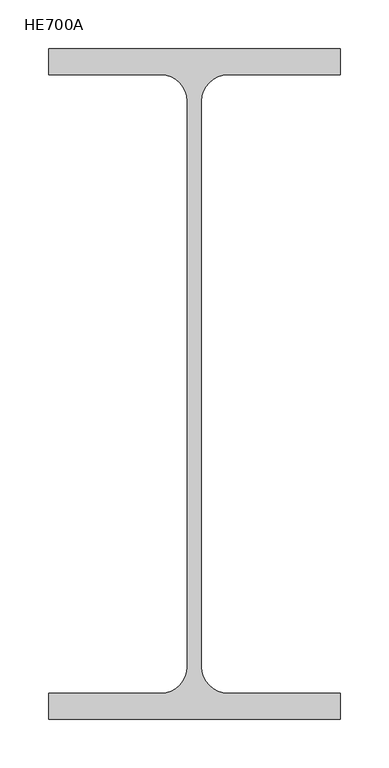
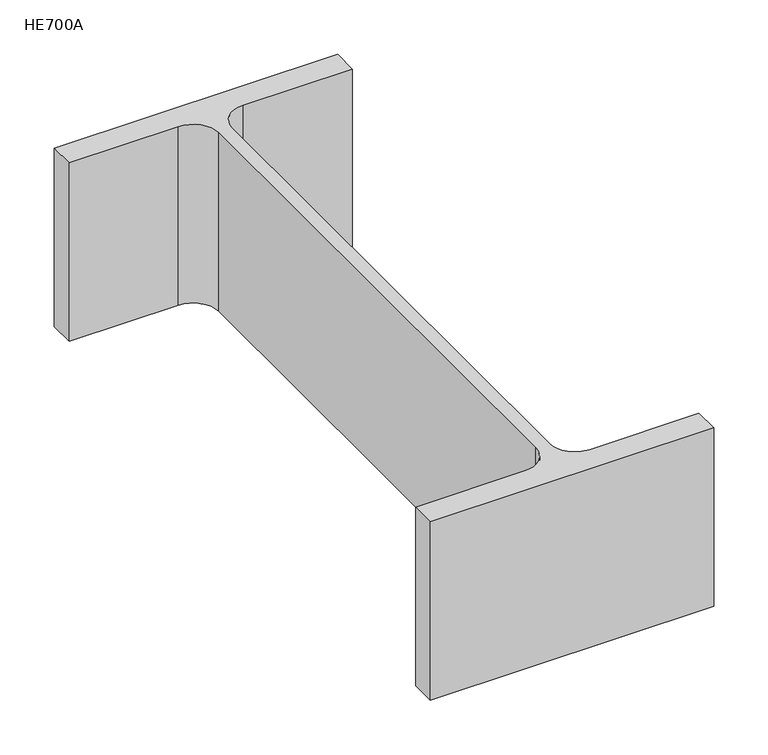
"""IFC4 building model written with IfcOpenShell, lengths in millimetres: column geometry, HE700A."""

from ifc_helpers import new_model, si_unit, point, frame, frame_2d, origin, place, context, project, spatial, polyline, circle_curve, trimmed, segment, composite_curve, outline, extrude, source, transform, mapped, element, save


def he700a_8610ff4f(model_context):
    return source(origin(), model_context, "Body", "SweptSolid", [
        extrude(outline(composite_curve([segment(polyline([(150.0, 345.0), (150.0, 318.0), (34.25, 318.0)]), True, "CONTINUOUS"), segment(trimmed(circle_curve(frame_2d((34.25, 291.0)), 27.0), [point((34.25, 318.0))], [point((7.25, 291.0))], True, "CARTESIAN"), True, "CONTINUOUS"), segment(polyline([(7.25, 291.0), (7.25, -291.0)]), True, "CONTINUOUS"), segment(trimmed(circle_curve(frame_2d((34.25, -291.0)), 27.0), [point((7.25, -291.0))], [point((34.25, -318.0))], True, "CARTESIAN"), True, "CONTINUOUS"), segment(polyline([(34.25, -318.0), (150.0, -318.0), (150.0, -345.0), (-150.0, -345.0), (-150.0, -318.0), (-34.25, -318.0)]), True, "CONTINUOUS"), segment(trimmed(circle_curve(frame_2d((-34.25, -291.0)), 27.0), [point((-34.25, -318.0))], [point((-7.25, -291.0))], True, "CARTESIAN"), True, "CONTINUOUS"), segment(polyline([(-7.25, -291.0), (-7.25, 291.0)]), True, "CONTINUOUS"), segment(trimmed(circle_curve(frame_2d((-34.25, 291.0)), 27.0), [point((-7.25, 291.0))], [point((-34.25, 318.0))], True, "CARTESIAN"), True, "CONTINUOUS"), segment(polyline([(-34.25, 318.0), (-150.0, 318.0), (-150.0, 345.0), (150.0, 345.0)]), True, "CONTINUOUS")], self_intersect=False)), frame((0.0, 0.0, -8200.0), z_axis=(0.0, 0.0, 1.0), x_axis=(1.0, 0.0, 0.0)), (0.0, 0.0, 1.0), 200.0),
    ])


if __name__ == "__main__":
    model = new_model("IFC4")
    model_context = context("Model", 3, world=origin())
    ifc_project = project(units=[si_unit("LENGTHUNIT", "METRE", prefix="MILLI")], contexts=[model_context])
    site = spatial("IfcSite", under=ifc_project)
    building = spatial("IfcBuilding", under=site)
    placement = place(None, origin())
    he700a_shape = he700a_8610ff4f(model_context)
    element("IfcColumn", 1, ObjectType="HE700A", at=placement, inside=building, context=model_context, shape_type="MappedRepresentation", body=[
        mapped(he700a_shape, transform((0.0, 0.0, 0.0), x_axis=(1.0, 0.0, 0.0), y_axis=(0.0, 1.0, 0.0), z_axis=(0.0, 0.0, 1.0))),
    ])
    save(model, "model.ifc")
